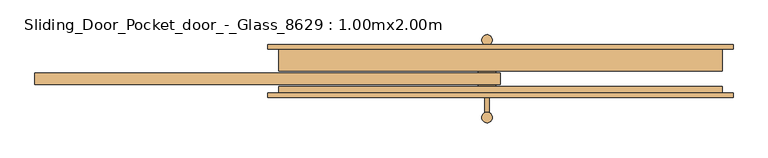
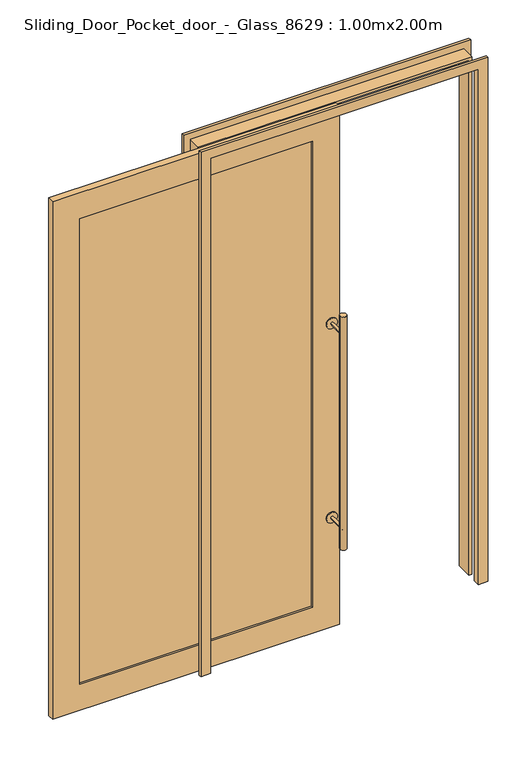
"""IFC4 building model written with IfcOpenShell, lengths in millimetres: door geometry, Sliding_Door_Pocket_door_-_Glass_8629 : 1.00mx2.00m."""

from ifc_helpers import new_model, si_unit, point, frame, frame_2d, origin, place, context, project, spatial, polyline, circle_curve, trimmed, segment, composite_curve, outline, extrude, faceted_brep, source, transform, mapped, element, save


def sliding_door_pocket_door_glass_8629_1_00mx2_00m_e98fa91f(model_context):
    return source(origin(), model_context, "Body", "SolidModel", [
        extrude(outline(composite_curve([segment(trimmed(circle_curve(frame_2d((-150.0, 84.2718247)), 12.0), [point((-162.0, 84.2718247))], [point((-138.0, 84.2718247))], False, "CARTESIAN"), True, "CONTINUOUS"), segment(trimmed(circle_curve(frame_2d((-150.0, 84.2718247)), 12.0), [point((-138.0, 84.2718247))], [point((-162.0, 84.2718247))], False, "CARTESIAN"), True, "CONTINUOUS")], self_intersect=False)), frame((0.0, 0.0, 350.0), z_axis=(0.0, 0.0, 1.0), x_axis=(1.0, 0.0, 0.0)), (0.0, 0.0, 1.0), 900.0),
        extrude(outline(composite_curve([segment(trimmed(circle_curve(frame_2d((1175.0, -150.0)), 5.0), [point((1175.0, -145.0))], [point((1175.0, -155.0))], False, "CARTESIAN"), True, "CONTINUOUS"), segment(trimmed(circle_curve(frame_2d((1175.0, -150.0)), 5.0), [point((1175.0, -155.0))], [point((1175.0, -145.0))], False, "CARTESIAN"), True, "CONTINUOUS")], self_intersect=False)), frame((0.0, 13.2718247, 0.0), z_axis=(0.0, 1.0, 0.0), x_axis=(0.0, 0.0, 1.0)), (0.0, 0.0, 1.0), 71.0),
        extrude(outline(composite_curve([segment(trimmed(circle_curve(frame_2d((425.0, -150.0)), 5.0), [point((425.0, -145.0))], [point((425.0, -155.0))], False, "CARTESIAN"), True, "CONTINUOUS"), segment(trimmed(circle_curve(frame_2d((425.0, -150.0)), 5.0), [point((425.0, -155.0))], [point((425.0, -145.0))], False, "CARTESIAN"), True, "CONTINUOUS")], self_intersect=False)), frame((0.0, 13.2718247, 0.0), z_axis=(0.0, 1.0, 0.0), x_axis=(0.0, 0.0, 1.0)), (0.0, 0.0, 1.0), 71.0),
        extrude(outline(composite_curve([segment(trimmed(circle_curve(frame_2d((1175.0, -150.0)), 20.0), [point((1175.0, -170.0))], [point((1175.0, -130.0))], False, "CARTESIAN"), True, "CONTINUOUS"), segment(trimmed(circle_curve(frame_2d((1175.0, -150.0)), 20.0), [point((1175.0, -130.0))], [point((1175.0, -170.0))], False, "CARTESIAN"), True, "CONTINUOUS")], self_intersect=False)), frame((0.0, 9.2718247, 0.0), z_axis=(0.0, 1.0, 0.0), x_axis=(0.0, 0.0, 1.0)), (0.0, 0.0, 1.0), 4.0),
        extrude(outline(composite_curve([segment(trimmed(circle_curve(frame_2d((425.0, -150.0)), 20.0), [point((425.0, -170.0))], [point((425.0, -130.0))], False, "CARTESIAN"), True, "CONTINUOUS"), segment(trimmed(circle_curve(frame_2d((425.0, -150.0)), 20.0), [point((425.0, -130.0))], [point((425.0, -170.0))], False, "CARTESIAN"), True, "CONTINUOUS")], self_intersect=False)), frame((0.0, 9.2718247, 0.0), z_axis=(0.0, 1.0, 0.0), x_axis=(0.0, 0.0, 1.0)), (0.0, 0.0, 1.0), 4.0),
        extrude(outline(composite_curve([segment(trimmed(circle_curve(frame_2d((-150.0, -90.7281753)), 12.0), [point((-162.0, -90.7281753))], [point((-138.0, -90.7281753))], False, "CARTESIAN"), True, "CONTINUOUS"), segment(trimmed(circle_curve(frame_2d((-150.0, -90.7281753)), 12.0), [point((-138.0, -90.7281753))], [point((-162.0, -90.7281753))], False, "CARTESIAN"), True, "CONTINUOUS")], self_intersect=False)), frame((0.0, 0.0, 350.0), z_axis=(0.0, 0.0, 1.0), x_axis=(1.0, 0.0, 0.0)), (0.0, 0.0, 1.0), 900.0),
        extrude(outline(composite_curve([segment(trimmed(circle_curve(frame_2d((1175.0, -150.0)), 5.0), [point((1175.0, -145.0))], [point((1175.0, -155.0))], False, "CARTESIAN"), True, "CONTINUOUS"), segment(trimmed(circle_curve(frame_2d((1175.0, -150.0)), 5.0), [point((1175.0, -155.0))], [point((1175.0, -145.0))], False, "CARTESIAN"), True, "CONTINUOUS")], self_intersect=False)), frame((0.0, -90.7281753, 0.0), z_axis=(0.0, 1.0, 0.0), x_axis=(0.0, 0.0, 1.0)), (0.0, 0.0, 1.0), 71.0),
        extrude(outline(composite_curve([segment(trimmed(circle_curve(frame_2d((425.0, -150.0)), 5.0), [point((425.0, -145.0))], [point((425.0, -155.0))], False, "CARTESIAN"), True, "CONTINUOUS"), segment(trimmed(circle_curve(frame_2d((425.0, -150.0)), 5.0), [point((425.0, -155.0))], [point((425.0, -145.0))], False, "CARTESIAN"), True, "CONTINUOUS")], self_intersect=False)), frame((0.0, -90.7281753, 0.0), z_axis=(0.0, 1.0, 0.0), x_axis=(0.0, 0.0, 1.0)), (0.0, 0.0, 1.0), 71.0),
        extrude(outline(composite_curve([segment(trimmed(circle_curve(frame_2d((1175.0, -150.0)), 20.0), [point((1175.0, -170.0))], [point((1175.0, -130.0))], False, "CARTESIAN"), True, "CONTINUOUS"), segment(trimmed(circle_curve(frame_2d((1175.0, -150.0)), 20.0), [point((1175.0, -130.0))], [point((1175.0, -170.0))], False, "CARTESIAN"), True, "CONTINUOUS")], self_intersect=False)), frame((0.0, -19.7281753, 0.0), z_axis=(0.0, 1.0, 0.0), x_axis=(0.0, 0.0, 1.0)), (0.0, 0.0, 1.0), 4.0),
        extrude(outline(composite_curve([segment(trimmed(circle_curve(frame_2d((425.0, -150.0)), 20.0), [point((425.0, -170.0))], [point((425.0, -130.0))], False, "CARTESIAN"), True, "CONTINUOUS"), segment(trimmed(circle_curve(frame_2d((425.0, -150.0)), 20.0), [point((425.0, -130.0))], [point((425.0, -170.0))], False, "CARTESIAN"), True, "CONTINUOUS")], self_intersect=False)), frame((0.0, -19.7281753, 0.0), z_axis=(0.0, 1.0, 0.0), x_axis=(0.0, 0.0, 1.0)), (0.0, 0.0, 1.0), 4.0),
        faceted_brep([(380.0, 14.2718247, 0.0), (370.0, 14.2718247, 0.0), (370.0, 74.2718247, 0.0), (405.0, 74.2718247, 0.0), (405.0, 64.2718247, 0.0), (380.0, 64.2718247, 0.0), (380.0, 14.2718247, 2000.0), (-620.0, 14.2718247, 2000.0), (-620.0, 14.2718247, 0.0), (-610.0, 14.2718247, 0.0), (-610.0, 14.2718247, 1990.0), (370.0, 14.2718247, 1990.0), (370.0, 74.2718247, 1990.0), (-610.0, 74.2718247, 1990.0), (-610.0, 74.2718247, 0.0), (-645.0, 74.2718247, 0.0), (-645.0, 74.2718247, 2025.0), (405.0, 74.2718247, 2025.0), (405.0, 64.2718247, 2025.0), (-645.0, 64.2718247, 2025.0), (-645.0, 64.2718247, 0.0), (-620.0, 64.2718247, 0.0), (-620.0, 64.2718247, 2000.0), (380.0, 64.2718247, 2000.0)], [[[0, 1, 2, 3, 4, 5]], [[1, 0, 6, 7, 8, 9, 10, 11]], [[2, 1, 11, 12]], [[3, 2, 12, 13, 14, 15, 16, 17]], [[4, 3, 17, 18]], [[5, 4, 18, 19, 20, 21, 22, 23]], [[0, 5, 23, 6]], [[7, 22, 21, 8]], [[8, 21, 20, 15, 14, 9]], [[13, 10, 9, 14]], [[19, 16, 15, 20]], [[6, 23, 22, 7]], [[12, 11, 10, 13]], [[18, 17, 16, 19]]]),
        faceted_brep([(380.0, -20.7281753, 0.0), (380.0, -35.7281753, 0.0), (405.0, -35.7281753, 0.0), (405.0, -45.7281753, 0.0), (370.0, -45.7281753, 0.0), (370.0, -20.7281753, 0.0), (380.0, -20.7281753, 2000.0), (380.0, -35.7281753, 2000.0), (-620.0, -35.7281753, 2000.0), (-620.0, -35.7281753, 0.0), (-645.0, -35.7281753, 0.0), (-645.0, -35.7281753, 2025.0), (405.0, -35.7281753, 2025.0), (405.0, -45.7281753, 2025.0), (-645.0, -45.7281753, 2025.0), (-645.0, -45.7281753, 0.0), (-610.0, -45.7281753, 0.0), (-610.0, -45.7281753, 1990.0), (370.0, -45.7281753, 1990.0), (370.0, -20.7281753, 1990.0), (-610.0, -20.7281753, 1990.0), (-610.0, -20.7281753, 0.0), (-620.0, -20.7281753, 0.0), (-620.0, -20.7281753, 2000.0)], [[[0, 1, 2, 3, 4, 5]], [[1, 0, 6, 7]], [[2, 1, 7, 8, 9, 10, 11, 12]], [[3, 2, 12, 13]], [[4, 3, 13, 14, 15, 16, 17, 18]], [[5, 4, 18, 19]], [[0, 5, 19, 20, 21, 22, 23, 6]], [[22, 21, 16, 15, 10, 9]], [[20, 17, 16, 21]], [[8, 23, 22, 9]], [[14, 11, 10, 15]], [[7, 6, 23, 8]], [[19, 18, 17, 20]], [[13, 12, 11, 14]]]),
        extrude(outline(polyline([(-1070.0, 0.7718247), (-220.0, 0.7718247), (-220.0, -7.2281753), (-1070.0, -7.2281753), (-1070.0, 0.7718247)])), frame((0.0, 0.0, 100.0), z_axis=(0.0, 0.0, 1.0), x_axis=(1.0, 0.0, 0.0)), (0.0, 0.0, 1.0), 1800.0),
        extrude(outline(polyline([(2000.0, -120.0), (2000.0, -1170.0), (0.0, -1170.0), (0.0, -120.0), (2000.0, -120.0)]), holes=[polyline([(1900.0, -1070.0), (1900.0, -220.0), (100.0, -220.0), (100.0, -1070.0), (1900.0, -1070.0)])]), frame((0.0, -15.7281753, 0.0), z_axis=(0.0, 1.0, 0.0), x_axis=(0.0, 0.0, 1.0)), (0.0, 0.0, 1.0), 25.0),
    ])


if __name__ == "__main__":
    model = new_model("IFC4")
    model_context = context("Model", 3, world=origin())
    ifc_project = project(units=[si_unit("LENGTHUNIT", "METRE", prefix="MILLI")], contexts=[model_context])
    site = spatial("IfcSite", under=ifc_project)
    building = spatial("IfcBuilding", under=site)
    placement = place(None, origin())
    sliding_door_pocket_door_glass_8629_1_00mx2_00m_shape = sliding_door_pocket_door_glass_8629_1_00mx2_00m_e98fa91f(model_context)
    element("IfcDoor", 1, ObjectType="Sliding_Door_Pocket_door_-_Glass_8629 : 1.00mx2.00m", at=placement, inside=building, context=model_context, shape_type="MappedRepresentation", body=[
        mapped(sliding_door_pocket_door_glass_8629_1_00mx2_00m_shape, transform((0.0, 0.0, 0.0), x_axis=(1.0, 0.0, 0.0), y_axis=(0.0, 1.0, 0.0), z_axis=(0.0, 0.0, 1.0))),
    ])
    save(model, "model.ifc")
